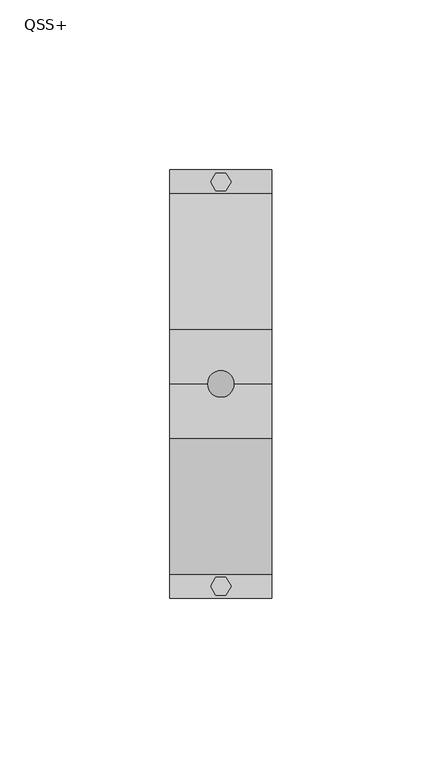
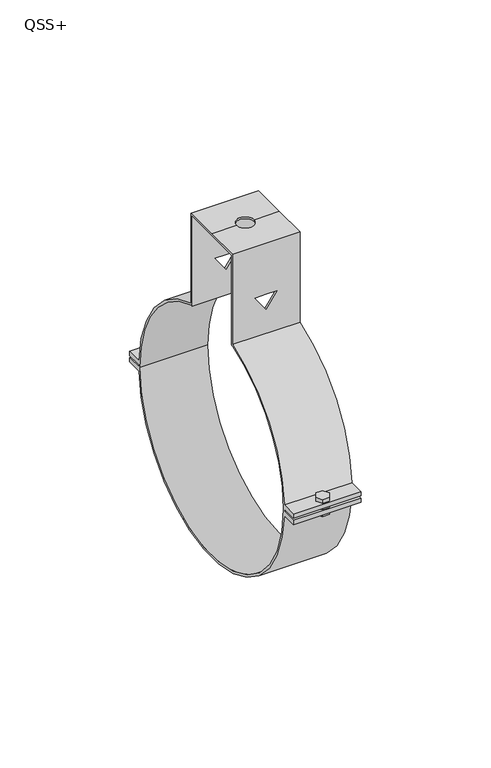
"""IFC4 building model written with IfcOpenShell, lengths in millimetres: proxy geometry, QSS+."""

from ifc_helpers import new_model, si_unit, frame, origin, place, context, project, spatial, polyline, circle_curve, outline, extrude, source, transform, mapped, element, save
from ifc_brep_helpers import plane_surface, cylinder_surface, revolved_surface, advanced_brep


def qss_8b4574c3(model_context):
    return source(origin(), model_context, "Body", "SolidModel", [
        extrude(outline(polyline([(1.5, 62.0980762), (3.0, 59.5), (1.5, 56.9019238), (-1.5, 56.9019238), (-3.0, 59.5), (-1.5, 62.0980762), (1.5, 62.0980762)])), frame((0.0, 0.0, -4.0), z_axis=(0.0, 0.0, 1.0), x_axis=(1.0, 0.0, 0.0)), (0.0, 0.0, 1.0), 8.0),
        extrude(outline(polyline([(1.5, -62.0980762), (-1.5, -62.0980762), (-3.0, -59.5), (-1.5, -56.9019238), (1.5, -56.9019238), (3.0, -59.5), (1.5, -62.0980762)])), frame((0.0, 0.0, -4.0), z_axis=(0.0, 0.0, 1.0), x_axis=(1.0, 0.0, 0.0)), (0.0, 0.0, 1.0), 8.0),
        advanced_brep(
        [(-15.0, -16.0, 96.0), (-15.0, 0.0, 96.0), (-15.0, 16.0, 96.0), (-15.0, 16.0, 53.6656315), (-15.0, 55.9456455, 2.4667277), (-15.0, 63.0, 2.4667277), (-15.0, 63.0, 0.4667277), (-15.0, 55.998055, 0.4667277), (-15.0, 56.0, 0.0), (-15.0, 55.998055, -0.4667277), (-15.0, 63.0, -0.4667277), (-15.0, 63.0, -2.4667277), (-15.0, 55.9456455, -2.4667277), (-15.0, -55.9439657, -2.5045372), (-15.0, -63.0, -2.5045372), (-15.0, -63.0, -0.5045372), (-15.0, -55.9977271, -0.5045372), (-15.0, -56.0, 0.0), (-15.0, -55.9977271, 0.5045372), (-15.0, -63.0, 0.5045372), (-15.0, -63.0, 2.5045372), (-15.0, -55.9439657, 2.5045372), (-15.0, -16.0, 53.6656315), (-15.0, 14.9730976, 95.0081289), (-15.0, 0.0, 95.0081289), (-15.0, -14.9730976, 95.0081289), (-15.0, -14.9730976, 52.9226449), (-15.0, -16.0, 52.6212885), (-15.0, -55.0, 0.0), (-15.0, 55.0, 0.0), (-15.0, 16.0, 52.6212885), (-15.0, 14.9730976, 52.9226449), (15.0, 16.0, 96.0), (15.0, 0.0, 96.0), (15.0, -16.0, 96.0), (15.0, -16.0, 53.6656315), (15.0, -55.9439657, 2.5045372), (15.0, -63.0, 2.5045372), (15.0, -63.0, 0.5045372), (15.0, -55.9977271, 0.5045372), (15.0, -56.0, 0.0), (15.0, -55.9977271, -0.5045372), (15.0, -63.0, -0.5045372), (15.0, -63.0, -2.5045372), (15.0, -55.9439657, -2.5045372), (15.0, 55.9456455, -2.4667277), (15.0, 63.0, -2.4667277), (15.0, 63.0, -0.4667277), (15.0, 55.998055, -0.4667277), (15.0, 56.0, 0.0), (15.0, 55.998055, 0.4667277), (15.0, 63.0, 0.4667277), (15.0, 63.0, 2.4667277), (15.0, 55.9456455, 2.4667277), (15.0, 16.0, 53.6656315), (15.0, -14.9730976, 95.0081289), (15.0, 0.0, 95.0081289), (15.0, 14.9730976, 95.0081289), (15.0, 14.9730976, 52.9226449), (15.0, 16.0, 52.6212885), (15.0, 55.0, 0.0), (15.0, -55.0, 0.0), (15.0, -16.0, 52.6212885), (15.0, -14.9730976, 52.9226449), (-4.0, 0.0, 96.0), (4.0, 0.0, 96.0), (0.0, -16.0, 71.8826485), (4.9139468, -16.0, 71.8826485), (0.0, -16.0, 64.8648052), (-4.9139468, -16.0, 71.8826485), (4.9139468, -14.9730976, 71.8826485), (0.0, -14.9730976, 71.8826485), (-4.9139468, -14.9730976, 71.8826485), (0.0, -14.9730976, 64.8648052), (-4.0, 0.0, 95.0081289), (4.0, 0.0, 95.0081289), (0.0, 14.9730976, 71.8826485), (4.9139468, 14.9730976, 71.8826485), (0.0, 14.9730976, 64.8648052), (-4.9139468, 14.9730976, 71.8826485), (4.9139468, 16.0, 71.8826485), (0.0, 16.0, 71.8826485), (-4.9139468, 16.0, 71.8826485), (0.0, 16.0, 64.8648052)],
        [
            (0, 1),
            (1, 2),
            (2, 3),
            (3, 4, circle_curve(frame((-15.0, 0.0, 0.0), z_axis=(-1.0, 0.0, 0.0), x_axis=(0.0, 1.0, 0.0)), 56.0)),
            (4, 5),
            (5, 6),
            (6, 7),
            (7, 8, circle_curve(frame((-15.0, 0.0, 0.0), z_axis=(-1.0, 0.0, 0.0), x_axis=(0.0, 1.0, 0.0)), 56.0)),
            (8, 9, circle_curve(frame((-15.0, 0.0, 0.0), z_axis=(-1.0, 0.0, 0.0), x_axis=(0.0, 1.0, 0.0)), 56.0)),
            (9, 10),
            (10, 11),
            (11, 12),
            (12, 13, circle_curve(frame((-15.0, 0.0, 0.0), z_axis=(-1.0, 0.0, 0.0), x_axis=(0.0, 1.0, 0.0)), 56.0)),
            (13, 14),
            (14, 15),
            (15, 16),
            (16, 17, circle_curve(frame((-15.0, 0.0, 0.0), z_axis=(-1.0, 0.0, 0.0), x_axis=(0.0, 1.0, 0.0)), 56.0)),
            (17, 18, circle_curve(frame((-15.0, 0.0, 0.0), z_axis=(-1.0, 0.0, 0.0), x_axis=(0.0, 1.0, 0.0)), 56.0)),
            (18, 19),
            (19, 20),
            (20, 21),
            (21, 22, circle_curve(frame((-15.0, 0.0, 0.0), z_axis=(-1.0, 0.0, 0.0), x_axis=(0.0, 1.0, 0.0)), 56.0)),
            (22, 0),
            (23, 24),
            (24, 25),
            (25, 26),
            (26, 27, circle_curve(frame((-15.0, 0.0, 0.0), z_axis=(1.0, 0.0, 0.0), x_axis=(0.0, 1.0, 0.0)), 55.0)),
            (27, 28, circle_curve(frame((-15.0, 0.0, 0.0), z_axis=(1.0, 0.0, 0.0), x_axis=(0.0, 1.0, 0.0)), 55.0)),
            (28, 29, circle_curve(frame((-15.0, 0.0, 0.0), z_axis=(1.0, 0.0, 0.0), x_axis=(0.0, 1.0, 0.0)), 55.0)),
            (29, 30, circle_curve(frame((-15.0, 0.0, 0.0), z_axis=(1.0, 0.0, 0.0), x_axis=(0.0, 1.0, 0.0)), 55.0)),
            (30, 31, circle_curve(frame((-15.0, 0.0, 0.0), z_axis=(1.0, 0.0, 0.0), x_axis=(0.0, 1.0, 0.0)), 55.0)),
            (31, 23),
            (32, 33),
            (33, 34),
            (34, 35),
            (35, 36, circle_curve(frame((15.0, 0.0, 0.0), z_axis=(1.0, 0.0, 0.0), x_axis=(0.0, 1.0, 0.0)), 56.0)),
            (36, 37),
            (37, 38),
            (38, 39),
            (39, 40, circle_curve(frame((15.0, 0.0, 0.0), z_axis=(1.0, 0.0, 0.0), x_axis=(0.0, 1.0, 0.0)), 56.0)),
            (40, 41, circle_curve(frame((15.0, 0.0, 0.0), z_axis=(1.0, 0.0, 0.0), x_axis=(0.0, 1.0, 0.0)), 56.0)),
            (41, 42),
            (42, 43),
            (43, 44),
            (44, 45, circle_curve(frame((15.0, 0.0, 0.0), z_axis=(1.0, 0.0, 0.0), x_axis=(0.0, 1.0, 0.0)), 56.0)),
            (45, 46),
            (46, 47),
            (47, 48),
            (48, 49, circle_curve(frame((15.0, 0.0, 0.0), z_axis=(1.0, 0.0, 0.0), x_axis=(0.0, 1.0, 0.0)), 56.0)),
            (49, 50, circle_curve(frame((15.0, 0.0, 0.0), z_axis=(1.0, 0.0, 0.0), x_axis=(0.0, 1.0, 0.0)), 56.0)),
            (50, 51),
            (51, 52),
            (52, 53),
            (53, 54, circle_curve(frame((15.0, 0.0, 0.0), z_axis=(1.0, 0.0, 0.0), x_axis=(0.0, 1.0, 0.0)), 56.0)),
            (54, 32),
            (55, 56),
            (56, 57),
            (57, 58),
            (58, 59, circle_curve(frame((15.0, 0.0, 0.0), z_axis=(-1.0, 0.0, 0.0), x_axis=(0.0, 1.0, 0.0)), 55.0)),
            (59, 60, circle_curve(frame((15.0, 0.0, 0.0), z_axis=(-1.0, 0.0, 0.0), x_axis=(0.0, 1.0, 0.0)), 55.0)),
            (60, 61, circle_curve(frame((15.0, 0.0, 0.0), z_axis=(-1.0, 0.0, 0.0), x_axis=(0.0, 1.0, 0.0)), 55.0)),
            (61, 62, circle_curve(frame((15.0, 0.0, 0.0), z_axis=(-1.0, 0.0, 0.0), x_axis=(0.0, 1.0, 0.0)), 55.0)),
            (62, 63, circle_curve(frame((15.0, 0.0, 0.0), z_axis=(-1.0, 0.0, 0.0), x_axis=(0.0, 1.0, 0.0)), 55.0)),
            (63, 55),
            (1, 64),
            (64, 65, circle_curve(frame((0.0, 0.0, 96.0), z_axis=(0.0, 0.0, -1.0), x_axis=(1.0, 0.0, 0.0)), 4.0)),
            (65, 33),
            (32, 2),
            (0, 34),
            (65, 64, circle_curve(frame((0.0, 0.0, 96.0), z_axis=(0.0, 0.0, -1.0), x_axis=(1.0, 0.0, 0.0)), 4.0)),
            (22, 35),
            (66, 67),
            (67, 68),
            (68, 69),
            (69, 66),
            (25, 55),
            (63, 26),
            (70, 71),
            (71, 72),
            (72, 73),
            (73, 70),
            (24, 74),
            (74, 75, circle_curve(frame((0.0, 0.0, 95.0081289), z_axis=(0.0, 0.0, 1.0), x_axis=(1.0, 0.0, 0.0)), 4.0)),
            (75, 56),
            (23, 57),
            (75, 74, circle_curve(frame((0.0, 0.0, 95.0081289), z_axis=(0.0, 0.0, 1.0), x_axis=(1.0, 0.0, 0.0)), 4.0)),
            (31, 58),
            (76, 77),
            (77, 78),
            (78, 79),
            (79, 76),
            (54, 3),
            (80, 81),
            (81, 82),
            (82, 83),
            (83, 80),
            (61, 28),
            (27, 62),
            (29, 60),
            (59, 30),
            (40, 17),
            (16, 41),
            (8, 49),
            (48, 9),
            (12, 45),
            (44, 13),
            (21, 36),
            (53, 4),
            (39, 18),
            (7, 50),
            (6, 51),
            (5, 52),
            (11, 46),
            (10, 47),
            (38, 19),
            (37, 20),
            (43, 14),
            (42, 15),
            (70, 67),
            (66, 71),
            (80, 77),
            (76, 81),
            (69, 72),
            (79, 82),
            (68, 73),
            (78, 83),
            (65, 75),
            (74, 64),
        ],
        [
            plane_surface(frame((-15.0, 16.0, 96.0), z_axis=(-1.0, 0.0, 0.0), x_axis=(0.0, 1.0, 0.0))),
            plane_surface(frame((15.0, 16.0, 96.0), z_axis=(1.0, 0.0, 0.0), x_axis=(0.0, -1.0, 0.0))),
            plane_surface(frame((15.0, 16.0, 96.0), z_axis=(0.0, 0.0, 1.0), x_axis=(-1.0, 0.0, 0.0))),
            plane_surface(frame((15.0, 0.0, 96.0), z_axis=(0.0, 0.0, 1.0), x_axis=(-1.0, 0.0, 0.0))),
            plane_surface(frame((15.0, -16.0, 96.0), z_axis=(0.0, -1.0, 0.0), x_axis=(-1.0, 0.0, 0.0))),
            plane_surface(frame((15.0, -14.9730976, 0.0), z_axis=(0.0, 1.0, 0.0), x_axis=(-1.0, 0.0, 0.0))),
            plane_surface(frame((15.0, -14.9730976, 95.0081289), z_axis=(0.0, 0.0, -1.0), x_axis=(-1.0, 0.0, 0.0))),
            plane_surface(frame((15.0, 0.0, 95.0081289), z_axis=(0.0, 0.0, -1.0), x_axis=(-1.0, 0.0, 0.0))),
            plane_surface(frame((15.0, 14.9730976, 95.0081289), z_axis=(0.0, -1.0, 0.0), x_axis=(-1.0, 0.0, 0.0))),
            plane_surface(frame((15.0, 16.0, 0.0), z_axis=(0.0, 1.0, 0.0), x_axis=(-1.0, 0.0, 0.0))),
            revolved_surface(polyline([(-15.0, 55.0, 0.0), (15.0, 55.0, 0.0)]), (-15.0, 0.0, 0.0), (-1.0, 0.0, 0.0)),
            cylinder_surface(frame((0.0, 0.0, 0.0), z_axis=(1.0, 0.0, 0.0), x_axis=(0.0, 1.0, 0.0)), 56.0),
            revolved_surface(polyline([(15.0, 55.0, 0.0), (-15.0, 55.0, 0.0)]), (-15.0, 0.0, 0.0), (1.0, 0.0, 0.0)),
            plane_surface(frame((15.0, 55.2591075, 0.4667277), z_axis=(0.0, 0.0, -1.0), x_axis=(-1.0, 0.0, 0.0))),
            plane_surface(frame((15.0, 63.0, 0.4667277), z_axis=(0.0, 1.0, 0.0), x_axis=(-1.0, 0.0, 0.0))),
            plane_surface(frame((15.0, 63.0, 2.4667277), z_axis=(0.0, 0.0, 1.0), x_axis=(-1.0, 0.0, 0.0))),
            plane_surface(frame((15.0, 55.2591075, -2.4667277), z_axis=(0.0, 0.0, -1.0), x_axis=(-1.0, 0.0, 0.0))),
            plane_surface(frame((15.0, 63.0, -2.4667277), z_axis=(0.0, 1.0, 0.0), x_axis=(-1.0, 0.0, 0.0))),
            plane_surface(frame((15.0, 63.0, -0.4667277), z_axis=(0.0, 0.0, 1.0), x_axis=(-1.0, 0.0, 0.0))),
            plane_surface(frame((15.0, -63.0, 0.5045372), z_axis=(0.0, 0.0, -1.0), x_axis=(-1.0, 0.0, 0.0))),
            plane_surface(frame((15.0, -63.0, 2.5045372), z_axis=(0.0, -1.0, 0.0), x_axis=(-1.0, 0.0, 0.0))),
            plane_surface(frame((15.0, -55.2591075, 2.5045372), z_axis=(0.0, 0.0, 1.0), x_axis=(-1.0, 0.0, 0.0))),
            plane_surface(frame((15.0, -63.0, -2.5045372), z_axis=(0.0, 0.0, -1.0), x_axis=(-1.0, 0.0, 0.0))),
            plane_surface(frame((15.0, -63.0, -0.5045372), z_axis=(0.0, -1.0, 0.0), x_axis=(-1.0, 0.0, 0.0))),
            plane_surface(frame((15.0, -55.2591075, -0.5045372), z_axis=(0.0, 0.0, 1.0), x_axis=(-1.0, 0.0, 0.0))),
            plane_surface(frame((4.9139468, -23.1577597, 71.8826485), z_axis=(0.0, 0.0, -1.0), x_axis=(0.0, 1.0, 0.0))),
            plane_surface(frame((0.0, -23.1577597, 71.8826485), z_axis=(0.0, 0.0, -1.0), x_axis=(0.0, 1.0, 0.0))),
            plane_surface(frame((-4.9139468, -23.1577597, 71.8826485), z_axis=(0.8191520442889921, 0.0, 0.5735764363510457), x_axis=(0.0, 1.0, 0.0))),
            plane_surface(frame((0.0, -23.1577597, 64.8648052), z_axis=(-0.8191520442889922, 0.0, 0.5735764363510454), x_axis=(0.0, 1.0, 0.0))),
            revolved_surface(polyline([(4.0, 0.0, 96.0), (4.0, 0.0, 95.0081289)]), (0.0, 0.0, 95.0081289), (0.0, 0.0, 1.0)),
        ],
        [
            (0, [[1, 2, 3, 4, 5, 6, 7, 8, 9, 10, 11, 12, 13, 14, 15, 16, 17, 18, 19, 20, 21, 22, 23], [24, 25, 26, 27, 28, 29, 30, 31, 32]]),
            (1, [[33, 34, 35, 36, 37, 38, 39, 40, 41, 42, 43, 44, 45, 46, 47, 48, 49, 50, 51, 52, 53, 54, 55], [56, 57, 58, 59, 60, 61, 62, 63, 64]]),
            (2, [[-2, 65, 66, 67, -33, 68]]),
            (3, [[-1, 69, -34, -67, 70, -65]]),
            (4, [[-69, -23, 71, -35], [72, 73, 74, 75]]),
            (5, [[76, -64, 77, -26], [78, 79, 80, 81]]),
            (6, [[-25, 82, 83, 84, -56, -76]]),
            (7, [[-24, 85, -57, -84, 86, -82]]),
            (8, [[-85, -32, 87, -58], [88, 89, 90, 91]]),
            (9, [[-68, -55, 92, -3], [93, 94, 95, 96]]),
            (10, [[97, -28, 98, -62]]),
            (10, [[99, -60, 100, -30]]),
            (10, [[-29, -97, -61, -99]]),
            (11, [[101, -17, 102, -41]]),
            (11, [[103, -49, 104, -9]]),
            (11, [[105, -45, 106, -13]]),
            (11, [[-71, -22, 107, -36]]),
            (11, [[-92, -54, 108, -4]]),
            (11, [[-101, -40, 109, -18]]),
            (11, [[-103, -8, 110, -50]]),
            (12, [[-27, -77, -63, -98]]),
            (12, [[-31, -100, -59, -87]]),
            (13, [[111, -51, -110, -7]]),
            (14, [[-52, -111, -6, 112]]),
            (15, [[-112, -5, -108, -53]]),
            (16, [[113, -46, -105, -12]]),
            (17, [[-47, -113, -11, 114]]),
            (18, [[-114, -10, -104, -48]]),
            (19, [[115, -19, -109, -39]]),
            (20, [[-38, 116, -20, -115]]),
            (21, [[-116, -37, -107, -21]]),
            (22, [[117, -14, -106, -44]]),
            (23, [[-43, 118, -15, -117]]),
            (24, [[-118, -42, -102, -16]]),
            (25, [[119, -72, 120, -78]]),
            (25, [[121, -88, 122, -93]]),
            (26, [[-120, -75, 123, -79]]),
            (26, [[-122, -91, 124, -94]]),
            (27, [[-123, -74, 125, -80]]),
            (27, [[-124, -90, 126, -95]]),
            (28, [[-119, -81, -125, -73]]),
            (28, [[-121, -96, -126, -89]]),
            (29, [[127, -83, 128, -70]]),
            (29, [[-127, -66, -128, -86]]),
        ],
    ),
    ])


if __name__ == "__main__":
    model = new_model("IFC4")
    model_context = context("Model", 3, world=origin())
    ifc_project = project(units=[si_unit("LENGTHUNIT", "METRE", prefix="MILLI")], contexts=[model_context])
    site = spatial("IfcSite", under=ifc_project)
    building = spatial("IfcBuilding", under=site)
    placement = place(None, origin())
    qss_shape = qss_8b4574c3(model_context)
    element("IfcBuildingElementProxy", 1, Name="QSS+", ObjectType="QSS+", at=placement, inside=building, context=model_context, shape_type="MappedRepresentation", body=[
        mapped(qss_shape, transform((0.0, 0.0, 0.0), x_axis=(1.0, 0.0, 0.0), y_axis=(0.0, 1.0, 0.0), z_axis=(0.0, 0.0, 1.0))),
    ])
    save(model, "model.ifc")
